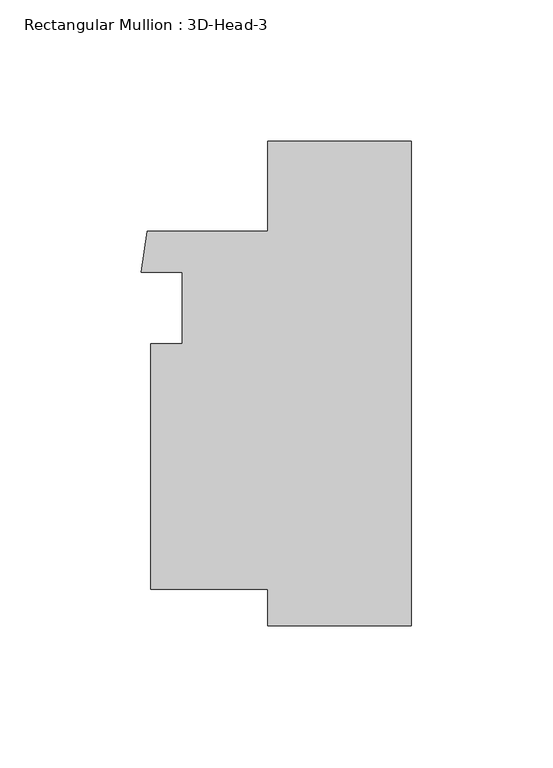
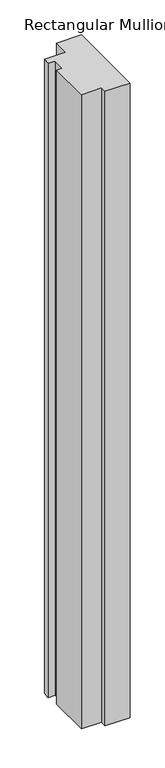
"""IFC4 building model written with IfcOpenShell, lengths in millimetres: member geometry, Rectangular Mullion : 3D-Head-3."""

from ifc_helpers import new_model, si_unit, frame, origin, place, context, project, spatial, polyline, outline, extrude, source, transform, mapped, element, save


def rectangular_mullion_3d_head_3_fb673031(model_context):
    return source(origin(), model_context, "Body", "SweptSolid", [
        extrude(outline(polyline([(-50.7999996, 85.7249999), (0.0, 85.7249999), (0.0, -85.7249999), (-50.8322656, -85.7249999), (-50.8322656, -72.769969), (-92.0749997, -72.769969), (-92.0749997, 14.0725059), (-80.9624997, 14.0725059), (-80.9624997, 39.4715716), (-95.4711321, 39.4715716), (-93.415382, 53.976031), (-50.7999996, 53.976031), (-50.7999996, 85.7249999)])), frame((0.0, 0.0, -1364.8608632), z_axis=(0.0, 0.0, 1.0), x_axis=(1.0, 0.0, 0.0)), (0.0, 0.0, 1.0), 1364.8608632),
    ])


if __name__ == "__main__":
    model = new_model("IFC4")
    model_context = context("Model", 3, world=origin())
    ifc_project = project(units=[si_unit("LENGTHUNIT", "METRE", prefix="MILLI")], contexts=[model_context])
    site = spatial("IfcSite", under=ifc_project)
    building = spatial("IfcBuilding", under=site)
    placement = place(None, origin())
    rectangular_mullion_3d_head_3_shape = rectangular_mullion_3d_head_3_fb673031(model_context)
    element("IfcMember", 1, ObjectType="Rectangular Mullion : 3D-Head-3", at=placement, inside=building, context=model_context, shape_type="MappedRepresentation", body=[
        mapped(rectangular_mullion_3d_head_3_shape, transform((0.0, 0.0, 0.0), x_axis=(1.0, 0.0, 0.0), y_axis=(0.0, 1.0, 0.0), z_axis=(0.0, 0.0, 1.0))),
    ])
    save(model, "model.ifc")
